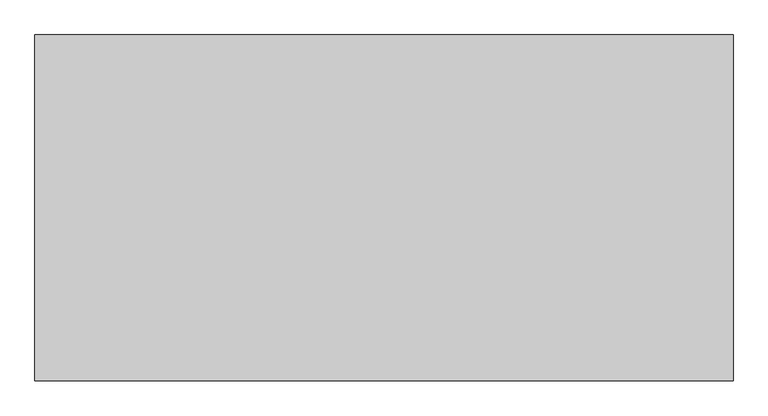
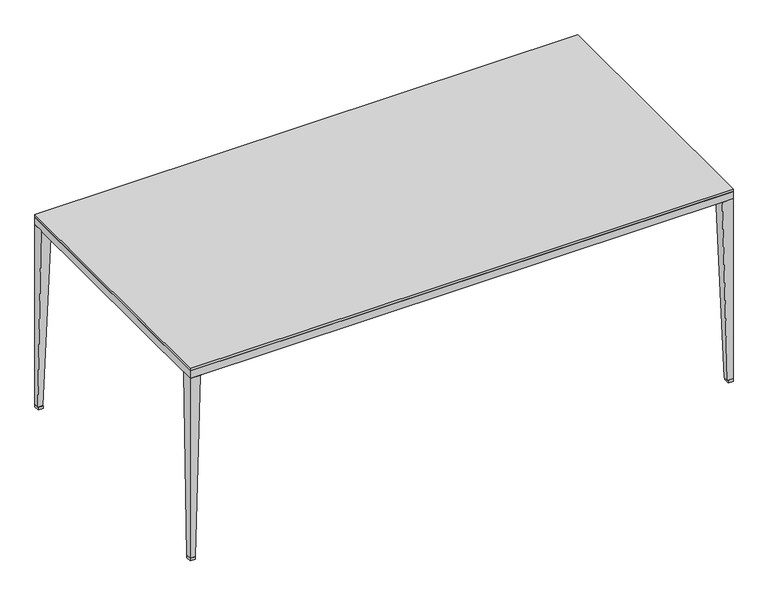
"""IFC4 building model written with IfcOpenShell, lengths in millimetres: furniture geometry."""

from ifc_helpers import new_model, si_unit, frame, origin, origin_with_axes, place, context, project, spatial, polyline, outline, extrude, faceted_brep, source, transform, mapped, element, save


def furniture_010522d4(model_context):
    return source(origin(), model_context, "Body", "SolidModel", [
        extrude(outline(polyline([(981.8896095, 491.2700592), (1000.125, 491.2700592), (1000.125, 470.580485), (981.8896095, 470.580485), (981.8896095, 491.2700592)])), origin_with_axes(), (0.0, 0.0, 1.0), 9.9999837),
        extrude(outline(polyline([(-1000.125, 491.2700592), (-981.8896095, 491.2700592), (-981.8896095, 470.580485), (-1000.125, 470.580485), (-1000.125, 491.2700592)])), origin_with_axes(), (0.0, 0.0, 1.0), 9.9999837),
        extrude(outline(polyline([(-981.8896095, -499.3299408), (-1000.125, -499.3299408), (-1000.125, -478.6403666), (-981.8896095, -478.6403666), (-981.8896095, -499.3299408)])), origin_with_axes(), (0.0, 0.0, 1.0), 9.9999837),
        faceted_brep([(1000.125, -458.7655986, 711.0159754), (958.8425642, -458.7655986, 711.0159754), (958.8425642, -499.3299408, 711.0159754), (1000.125, -499.3299408, 711.0159754), (1000.125, -478.6200558, 9.9999837), (1000.125, -499.3299408, 9.9999837), (979.5104876, -499.3299408, 9.9999837), (979.5104876, -478.6200558, 9.9999837), (1000.125, -458.7655986, 709.9999763), (959.7925778, -458.7655986, 709.9999763), (958.8425642, -458.7655986, 709.9999763), (958.8425642, -499.3299408, 709.9999763), (959.7925778, -499.3299408, 709.9999763)], [[[0, 1, 2, 3]], [[4, 5, 6, 7]], [[1, 0, 8, 9, 10]], [[2, 1, 10, 11]], [[3, 2, 11, 12, 6, 5]], [[0, 3, 5, 4, 8]], [[8, 4, 7, 9]], [[9, 12, 11, 10]], [[12, 9, 7, 6]]]),
        faceted_brep([(-1000.125, -458.7655986, 711.0159754), (-1000.125, -499.3299408, 711.0159754), (-958.8425642, -499.3299408, 711.0159754), (-958.8425642, -458.7655986, 711.0159754), (-1000.125, -499.3299408, 9.9999837), (-1000.125, -478.6200558, 9.9999837), (-981.8917376, -478.6200558, 9.9999837), (-981.8917376, -499.3299408, 9.9999837), (-1000.125, -458.7655986, 709.9999763), (-962.1738278, -499.3299408, 709.9999763), (-958.8425642, -499.3299408, 709.9999763), (-958.8425642, -458.9017717, 709.9999763), (-962.1738278, -458.7655986, 709.9999763)], [[[0, 1, 2, 3]], [[4, 5, 6, 7]], [[1, 0, 8, 5, 4]], [[2, 1, 4, 7, 9, 10]], [[3, 2, 10, 11]], [[0, 3, 11, 12, 8]], [[5, 8, 12, 6]], [[9, 12, 11, 10]], [[12, 9, 7, 6]]]),
        faceted_brep([(1000.125, 452.2221823, 711.0159754), (1000.125, 491.2700592, 711.0159754), (958.8425642, 491.2700592, 711.0159754), (958.8425642, 452.2221823, 711.0159754), (1000.125, 491.2700592, 9.9999837), (1000.125, 471.9686882, 9.9999837), (979.5104876, 471.9686882, 9.9999837), (979.5104876, 491.2700592, 9.9999837), (1000.125, 452.2221823, 709.9999763), (959.7925778, 491.2700592, 709.9999763), (958.8425642, 491.2700592, 709.9999763), (958.8425642, 452.2508151, 709.9999763), (959.7925778, 452.2221823, 709.9999763)], [[[0, 1, 2, 3]], [[4, 5, 6, 7]], [[1, 0, 8, 5, 4]], [[2, 1, 4, 7, 9, 10]], [[3, 2, 10, 11]], [[0, 3, 11, 12, 8]], [[5, 8, 12, 6]], [[9, 12, 11, 10]], [[12, 9, 7, 6]]]),
        faceted_brep([(-1000.125, 452.2221823, 711.0159754), (-958.8425642, 452.2221823, 711.0159754), (-958.8425642, 491.2700592, 711.0159754), (-1000.125, 491.2700592, 711.0159754), (-1000.125, 471.9686882, 9.9999837), (-1000.125, 491.2700592, 9.9999837), (-981.8917376, 491.2700592, 9.9999837), (-981.8917376, 471.9686882, 9.9999837), (-1000.125, 452.2221823, 709.9999763), (-962.1738278, 452.2221823, 709.9999763), (-958.8425642, 452.2221823, 709.9999763), (-958.8425642, 491.2700592, 709.9999763), (-962.1738278, 491.2700592, 709.9999763)], [[[0, 1, 2, 3]], [[4, 5, 6, 7]], [[1, 0, 8, 9, 10]], [[2, 1, 10, 11]], [[3, 2, 11, 12, 6, 5]], [[0, 3, 5, 4, 8]], [[8, 4, 7, 9]], [[9, 12, 11, 10]], [[12, 9, 7, 6]]]),
        extrude(outline(polyline([(1000.125, -499.3299408), (-1000.125, -499.3299408), (-1000.125, 491.2700592), (1000.125, 491.2700592), (1000.125, -499.3299408)]), holes=[polyline([(958.8425642, -458.7655986), (958.8425642, 452.2221823), (-958.8425642, 452.2221823), (-958.8425642, -458.7655986), (958.8425642, -458.7655986)])]), frame((0.0, 0.0, 711.0159754), z_axis=(0.0, 0.0, 1.0), x_axis=(1.0, 0.0, 0.0)), (0.0, 0.0, 1.0), 28.7590246),
        extrude(outline(polyline([(1000.125, 491.2700592), (1000.125, -499.3299408), (-1000.125, -499.3299408), (-1000.125, 491.2700592), (1000.125, 491.2700592)])), frame((0.0, 0.0, 739.775), z_axis=(0.0, 0.0, 1.0), x_axis=(1.0, 0.0, 0.0)), (0.0, 0.0, 1.0), 9.525),
        extrude(outline(polyline([(1000.125, -499.3299408), (981.8896095, -499.3299408), (981.8896095, -478.6403666), (1000.125, -478.6403666), (1000.125, -499.3299408)])), origin_with_axes(), (0.0, 0.0, 1.0), 9.9999837),
    ])


if __name__ == "__main__":
    model = new_model("IFC4")
    model_context = context("Model", 3, world=origin())
    ifc_project = project(units=[si_unit("LENGTHUNIT", "METRE", prefix="MILLI")], contexts=[model_context])
    site = spatial("IfcSite", under=ifc_project)
    building = spatial("IfcBuilding", under=site)
    placement = place(None, origin())
    furniture_shape = furniture_010522d4(model_context)
    element("IfcFurniture", 1, at=placement, inside=building, context=model_context, shape_type="MappedRepresentation", body=[
        mapped(furniture_shape, transform((0.0, 0.0, 0.0), x_axis=(1.0, 0.0, 0.0), y_axis=(0.0, 1.0, 0.0), z_axis=(0.0, 0.0, 1.0))),
    ])
    save(model, "model.ifc")
